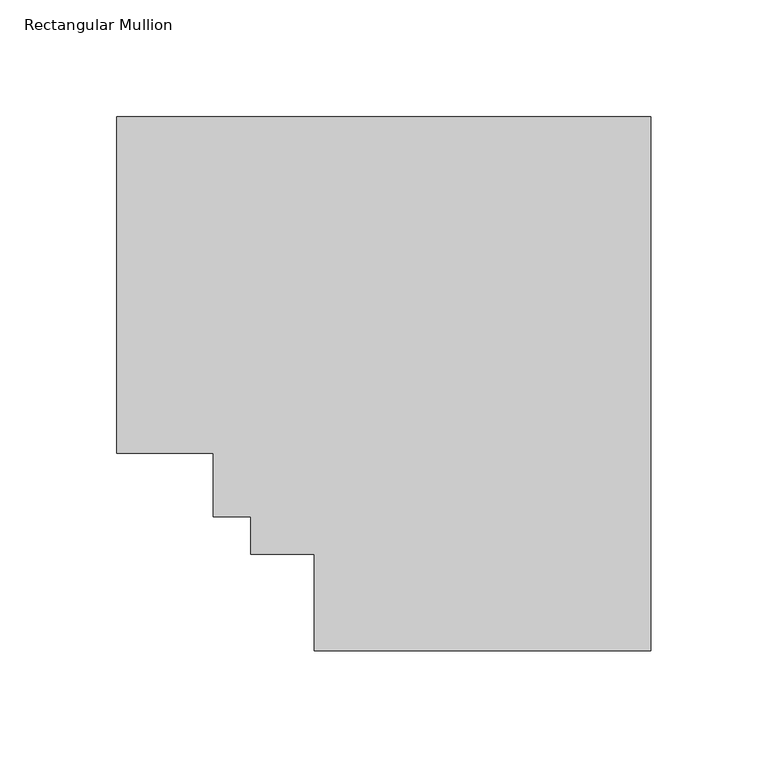
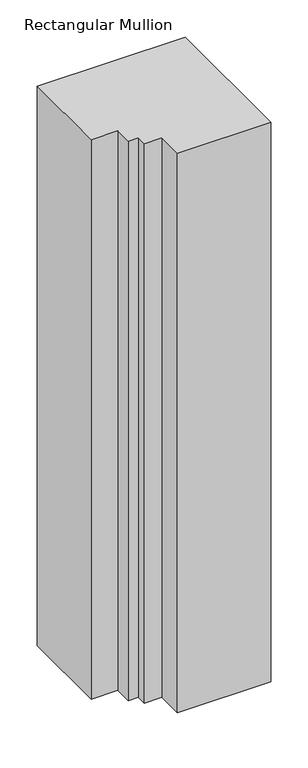
"""IFC4 building model written with IfcOpenShell, lengths in millimetres: member geometry, Rectangular Mullion."""

from ifc_helpers import new_model, si_unit, frame, origin, place, context, project, spatial, polyline, outline, extrude, source, transform, mapped, element, save


def rectangular_mullion_fc1c6b53(model_context):
    return source(origin(), model_context, "Body", "SweptSolid", [
        extrude(outline(polyline([(0.0, 190.7881312), (0.0, -37.7805771), (-144.0525193, -37.7805771), (-144.0525193, 3.4944228), (-171.2305193, 3.4944228), (-171.2305193, 19.5667302), (-187.3028266, 19.5667302), (-187.3028266, 46.7447302), (-228.5778266, 46.7447302), (-228.5778266, 190.7881313), (0.0, 190.7881312)])), frame((0.0, 0.0, -914.4), z_axis=(0.0, 0.0, 1.0), x_axis=(1.0, 0.0, 0.0)), (0.0, 0.0, 1.0), 914.4),
    ])


if __name__ == "__main__":
    model = new_model("IFC4")
    model_context = context("Model", 3, world=origin())
    ifc_project = project(units=[si_unit("LENGTHUNIT", "METRE", prefix="MILLI")], contexts=[model_context])
    site = spatial("IfcSite", under=ifc_project)
    building = spatial("IfcBuilding", under=site)
    placement = place(None, origin())
    rectangular_mullion_shape = rectangular_mullion_fc1c6b53(model_context)
    element("IfcMember", 1, ObjectType="Rectangular Mullion", at=placement, inside=building, context=model_context, shape_type="MappedRepresentation", body=[
        mapped(rectangular_mullion_shape, transform((0.0, 0.0, 0.0), x_axis=(1.0, 0.0, 0.0), y_axis=(0.0, 1.0, 0.0), z_axis=(0.0, 0.0, 1.0))),
    ])
    save(model, "model.ifc")
